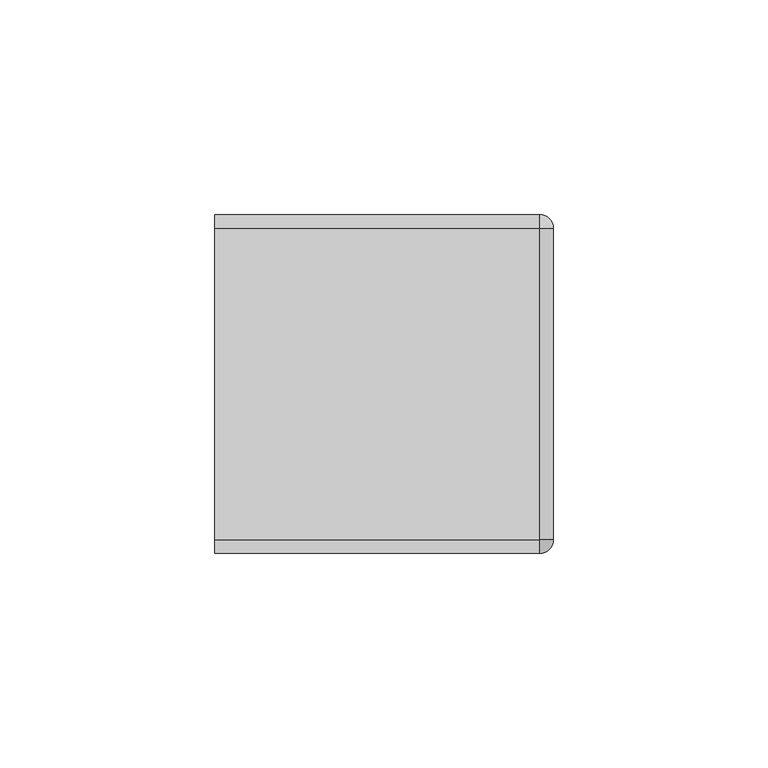
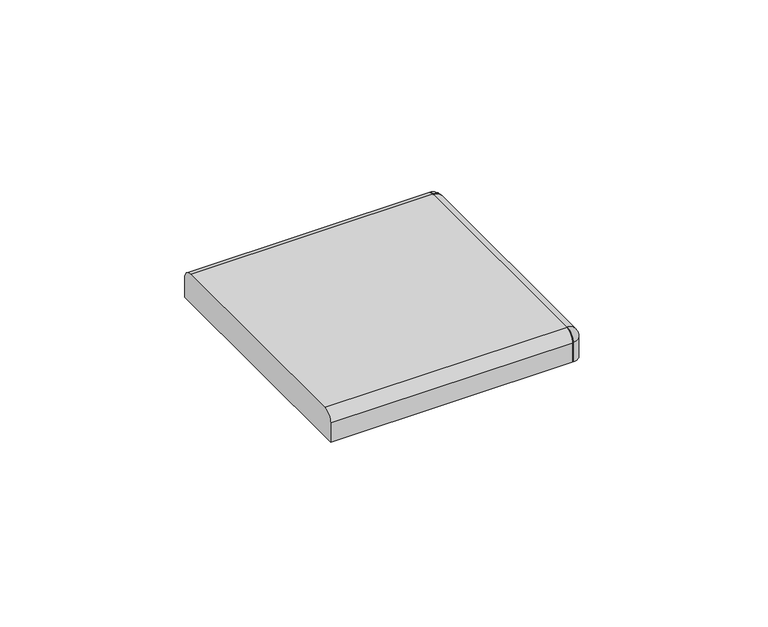
"""IFC4 building model written with IfcOpenShell, lengths in millimetres: furniture geometry."""

from ifc_helpers import new_model, si_unit, point, frame, origin, place, context, project, spatial, circle_curve, ellipse_curve, trimmed, source, transform, mapped, element, save
from ifc_brep_helpers import plane_surface, cylinder_surface, revolved_surface, advanced_brep


def furniture_dd01c94a(model_context):
    return source(origin(), model_context, "Body", "AdvancedBrep", [
        advanced_brep(
        [(36.3140655, 39.4890595, 1709.1421875), (36.3140655, 36.3140625, 1709.1421875), (36.3140655, 36.3140625, 1718.6671875), (36.3140655, 39.4890595, 1715.4921883), (39.4890625, 36.3140625, 1709.1421875), (39.4890625, 36.3140625, 1715.4921883)],
        [
            (0, 1),
            (1, 2),
            (2, 3, circle_curve(frame((36.3140655, 36.3140625, 1715.4921905), z_axis=(-1.0, 0.0, 0.0), x_axis=(0.0, -1.0, 0.0)), 3.174997)),
            (3, 0),
            (1, 4),
            (4, 5),
            (5, 2, circle_curve(frame((36.3140655, 36.3140625, 1715.4921905), z_axis=(0.0, -1.0, 0.0), x_axis=(-1.0, 0.0, 0.0)), 3.174997)),
            (0, 4, circle_curve(frame((36.3140655, 36.3140625, 1709.1421875), z_axis=(0.0, 0.0, -1.0), x_axis=(0.0, 1.0, 0.0)), 3.174997)),
            (5, 3, circle_curve(frame((36.3140655, 36.3140625, 1715.4921883), z_axis=(0.0, 0.0, 1.0), x_axis=(0.0, 1.0, 0.0)), 3.174997)),
        ],
        [
            plane_surface(frame((36.3140655, 36.3140625, 1709.1421875), z_axis=(-1.0, 0.0, 0.0), x_axis=(0.0, 1.0, 0.0))),
            plane_surface(frame((36.3140655, 36.3140625, 1709.1421875), z_axis=(0.0, -1.0, 0.0), x_axis=(1.0, 0.0, 0.0))),
            plane_surface(frame((36.3140655, 36.3140625, 1709.1421875), z_axis=(0.0, 0.0, -1.0), x_axis=(0.0, 1.0, 0.0))),
            revolved_surface(trimmed(ellipse_curve(frame((36.3140655, 36.3140625, 1715.4921905), z_axis=(-1.0, 0.0, 0.0), x_axis=(0.0, -1.0, 0.0)), 3.174997, 3.174997), [point((36.3140655, 36.3140625, 1718.6671875))], [point((36.3140655, 39.4890595, 1715.4921883))], True, "CARTESIAN"), (36.3140655, 36.3140625, 1709.1421875), (0.0, 0.0, -1.0)),
            cylinder_surface(frame((36.3140655, 36.3140625, 1709.1421875), z_axis=(0.0, 0.0, -1.0), x_axis=(0.0, 1.0, 0.0)), 3.174997),
        ],
        [
            (0, [[1, 2, 3, 4]]),
            (1, [[-2, 5, 6, 7]]),
            (2, [[-1, 8, -5]]),
            (3, [[-3, -7, 9]]),
            (4, [[-4, -9, -6, -8]]),
        ],
    ),
        advanced_brep(
        [(36.3140655, -39.4890595, 1709.1421875), (36.3140655, -39.4890595, 1715.4921883), (36.3140655, -36.3140625, 1718.6671852), (36.3140655, -36.3140625, 1709.1421875), (39.4890625, -36.3140625, 1715.4921883), (39.4890625, -36.3140625, 1709.1421875)],
        [
            (0, 1),
            (1, 2, circle_curve(frame((36.3140655, -36.3140625, 1715.4921883), z_axis=(-1.0, 0.0, 0.0), x_axis=(0.0, 1.0, 0.0)), 3.174997)),
            (2, 3),
            (3, 0),
            (2, 4, circle_curve(frame((36.3140655, -36.3140625, 1715.4921883), z_axis=(0.0, 1.0, 0.0), x_axis=(-1.0, 0.0, 0.0)), 3.174997)),
            (4, 5),
            (5, 3),
            (0, 5, circle_curve(frame((36.3140655, -36.3140625, 1709.1421875), z_axis=(0.0, 0.0, 1.0), x_axis=(0.0, -1.0, 0.0)), 3.174997)),
            (4, 1, circle_curve(frame((36.3140655, -36.3140625, 1715.4921883), z_axis=(0.0, 0.0, -1.0), x_axis=(0.0, -1.0, 0.0)), 3.174997)),
        ],
        [
            plane_surface(frame((36.3140655, -36.3140625, 1709.1421875), z_axis=(-1.0, 0.0, 0.0), x_axis=(0.0, -1.0, 0.0))),
            plane_surface(frame((36.3140655, -36.3140625, 1709.1421875), z_axis=(0.0, 1.0, 0.0), x_axis=(1.0, 0.0, 0.0))),
            cylinder_surface(frame((36.3140655, -36.3140625, 1709.1421875), z_axis=(0.0, 0.0, 1.0), x_axis=(0.0, -1.0, 0.0)), 3.174997),
            revolved_surface(trimmed(ellipse_curve(frame((36.3140655, -36.3140625, 1715.4921883), z_axis=(-1.0, 0.0, 0.0), x_axis=(0.0, 1.0, 0.0)), 3.174997, 3.174997), [point((36.3140655, -39.4890595, 1715.4921883))], [point((36.3140655, -36.3140625, 1718.6671852))], True, "CARTESIAN"), (36.3140655, -36.3140625, 1709.1421875), (0.0, 0.0, 1.0)),
            plane_surface(frame((36.3140655, -36.3140625, 1709.1421875), z_axis=(0.0, 0.0, -1.0), x_axis=(0.0, -1.0, 0.0))),
        ],
        [
            (0, [[1, 2, 3, 4]]),
            (1, [[-3, 5, 6, 7]]),
            (2, [[-1, 8, -6, 9]]),
            (3, [[-2, -9, -5]]),
            (4, [[-4, -7, -8]]),
        ],
    ),
        advanced_brep(
        [(39.4890625, -36.3140625, 1709.1421875), (39.4890625, -36.3140625, 1715.4921905), (36.3140655, -36.3140625, 1718.6671875), (36.3140655, -36.3140625, 1709.1421875), (39.4890625, 36.3140625, 1709.1421875), (39.4890625, 36.3140625, 1715.4921905), (36.3140655, 36.3140625, 1709.1421875), (36.3140655, 36.3140625, 1718.6671875), (36.3140655, -39.4890618, 1709.1421875), (-39.4890625, -39.4890618, 1709.1421875), (-39.4890625, 39.4890618, 1709.1421875), (36.3140655, 39.4890618, 1709.1421875), (36.3140655, 39.4890618, 1715.4921883), (36.3140655, -39.4890618, 1715.4921883), (-39.4890625, -39.4890618, 1715.4921883), (-39.4890625, -36.3140625, 1718.6671875), (-39.4890625, 36.3140625, 1718.6671875), (-39.4890625, 39.4890618, 1715.4921883)],
        [
            (0, 1),
            (1, 2, circle_curve(frame((36.3140655, -36.3140625, 1715.4921905), z_axis=(0.0, -1.0, 0.0), x_axis=(-1.0, 0.0, 0.0)), 3.174997)),
            (2, 3),
            (3, 0),
            (0, 4),
            (4, 5),
            (5, 1),
            (4, 6),
            (6, 7),
            (7, 5, circle_curve(frame((36.3140655, 36.3140625, 1715.4921905), z_axis=(0.0, 1.0, 0.0), x_axis=(-1.0, 0.0, 0.0)), 3.174997)),
            (3, 8),
            (8, 9),
            (9, 10),
            (10, 11),
            (11, 6),
            (7, 2),
            (11, 12),
            (12, 7, circle_curve(frame((36.3140655, 36.3140625, 1715.4921883), z_axis=(1.0, 0.0, 0.0), x_axis=(0.0, -1.0, 0.0)), 3.1749992)),
            (2, 13, circle_curve(frame((36.3140655, -36.3140625, 1715.4921883), z_axis=(1.0, 0.0, 0.0), x_axis=(0.0, -1.0, 0.0)), 3.1749992)),
            (13, 8),
            (9, 14),
            (14, 15, circle_curve(frame((-39.4890625, -36.3140625, 1715.4921883), z_axis=(-1.0, 0.0, 0.0), x_axis=(0.0, -1.0, 0.0)), 3.1749992)),
            (15, 16),
            (16, 17, circle_curve(frame((-39.4890625, 36.3140625, 1715.4921883), z_axis=(-1.0, 0.0, 0.0), x_axis=(0.0, -1.0, 0.0)), 3.1749992)),
            (17, 10),
            (17, 12),
            (16, 7),
            (15, 2),
            (14, 13),
        ],
        [
            plane_surface(frame((39.4890625, -36.3140625, 1718.6671875), z_axis=(0.0, -1.0, 0.0), x_axis=(0.0, 0.0, 1.0))),
            plane_surface(frame((39.4890625, -36.3140625, 1709.1421875), z_axis=(1.0, 0.0, 0.0), x_axis=(0.0, 1.0, 0.0))),
            plane_surface(frame((39.4890625, 36.3140625, 1718.6671875), z_axis=(0.0, 1.0, 0.0), x_axis=(0.0, 0.0, 1.0))),
            plane_surface(frame((36.3140655, -36.3140625, 1709.1421875), z_axis=(0.0, 0.0, -1.0), x_axis=(0.0, 1.0, 0.0))),
            cylinder_surface(frame((36.3140655, -36.3140625, 1715.4921905), z_axis=(0.0, -1.0, 0.0), x_axis=(-1.0, 0.0, 0.0)), 3.174997),
            plane_surface(frame((36.3140655, 0.0, 1718.6671875), z_axis=(1.0, 0.0, 0.0), x_axis=(0.0, 0.0, 1.0))),
            plane_surface(frame((-39.4890625, 0.0, 1718.6671875), z_axis=(-1.0, 0.0, 0.0), x_axis=(0.0, 0.0, 1.0))),
            plane_surface(frame((36.3140655, 39.4890618, 1709.1421875), z_axis=(0.0, 1.0, 0.0), x_axis=(-1.0, 0.0, 0.0))),
            cylinder_surface(frame((36.3140655, 36.3140625, 1715.4921883), z_axis=(1.0, 0.0, 0.0), x_axis=(0.0, -1.0, 0.0)), 3.1749992),
            plane_surface(frame((36.3140655, 36.3140625, 1718.6671875), z_axis=(0.0, 0.0, 1.0), x_axis=(-1.0, 0.0, 0.0))),
            cylinder_surface(frame((36.3140655, -36.3140625, 1715.4921883), z_axis=(1.0, 0.0, 0.0), x_axis=(0.0, -1.0, 0.0)), 3.1749992),
            plane_surface(frame((36.3140655, -39.4890618, 1715.4921883), z_axis=(0.0, -1.0, 0.0), x_axis=(-1.0, 0.0, 0.0))),
        ],
        [
            (0, [[1, 2, 3, 4]]),
            (1, [[-1, 5, 6, 7]]),
            (2, [[-6, 8, 9, 10]]),
            (3, [[-4, 11, 12, 13, 14, 15, -8, -5]]),
            (4, [[-2, -7, -10, 16]]),
            (5, [[17, 18, -9, -15]]),
            (5, [[19, 20, -11, -3]]),
            (6, [[-13, 21, 22, 23, 24, 25]]),
            (7, [[-17, -14, -25, 26]]),
            (8, [[-18, -26, -24, 27]]),
            (9, [[-23, 28, -16, -27]]),
            (10, [[-19, -28, -22, 29]]),
            (11, [[-20, -29, -21, -12]]),
        ],
    ),
    ])


if __name__ == "__main__":
    model = new_model("IFC4")
    model_context = context("Model", 3, world=origin())
    ifc_project = project(units=[si_unit("LENGTHUNIT", "METRE", prefix="MILLI")], contexts=[model_context])
    site = spatial("IfcSite", under=ifc_project)
    building = spatial("IfcBuilding", under=site)
    placement = place(None, origin())
    furniture_shape = furniture_dd01c94a(model_context)
    element("IfcFurniture", 1, at=placement, inside=building, context=model_context, shape_type="MappedRepresentation", body=[
        mapped(furniture_shape, transform((0.0, 0.0, 0.0), x_axis=(1.0, 0.0, 0.0), y_axis=(0.0, 1.0, 0.0), z_axis=(0.0, 0.0, 1.0))),
    ])
    save(model, "model.ifc")
